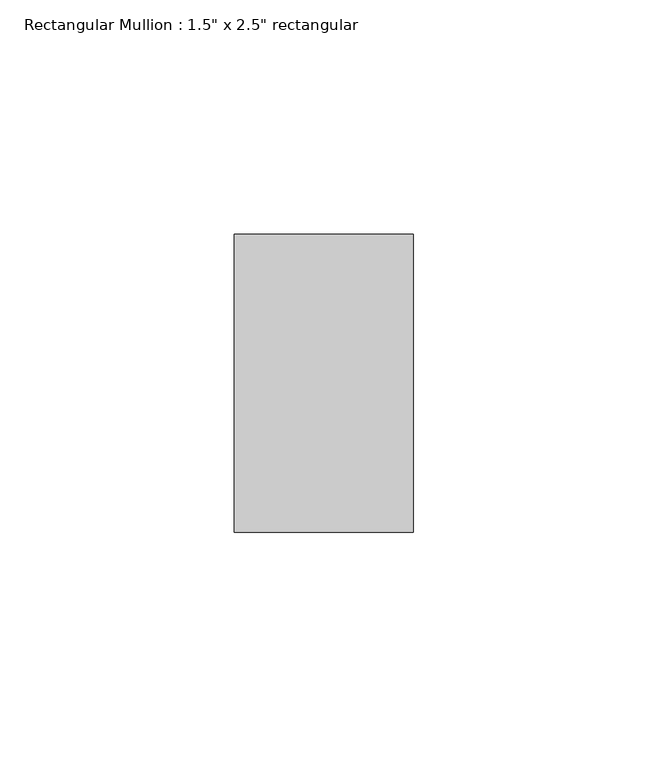
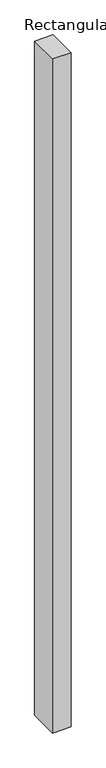
"""IFC4 building model written with IfcOpenShell, lengths in millimetres: member geometry."""

from ifc_helpers import new_model, si_unit, frame, origin, place, context, project, spatial, polyline, outline, extrude, source, transform, mapped, element, save


def member_3d7a4f5f(model_context):
    return source(origin(), model_context, "Body", "SweptSolid", [
        extrude(outline(polyline([(19.05, -19.05), (19.05, -82.55), (-19.05, -82.55), (-19.05, -19.05), (19.05, -19.05)])), frame((0.0, 0.0, -1473.2), z_axis=(0.0, 0.0, 1.0), x_axis=(1.0, 0.0, 0.0)), (0.0, 0.0, 1.0), 1473.2),
    ])


if __name__ == "__main__":
    model = new_model("IFC4")
    model_context = context("Model", 3, world=origin())
    ifc_project = project(units=[si_unit("LENGTHUNIT", "METRE", prefix="MILLI")], contexts=[model_context])
    site = spatial("IfcSite", under=ifc_project)
    building = spatial("IfcBuilding", under=site)
    placement = place(None, origin())
    member_shape = member_3d7a4f5f(model_context)
    element("IfcMember", 1, ObjectType="Rectangular Mullion : 1.5\" x 2.5\" rectangular", at=placement, inside=building, context=model_context, shape_type="MappedRepresentation", body=[
        mapped(member_shape, transform((0.0, 0.0, 0.0), x_axis=(1.0, 0.0, 0.0), y_axis=(0.0, 1.0, 0.0), z_axis=(0.0, 0.0, 1.0))),
    ])
    save(model, "model.ifc")
